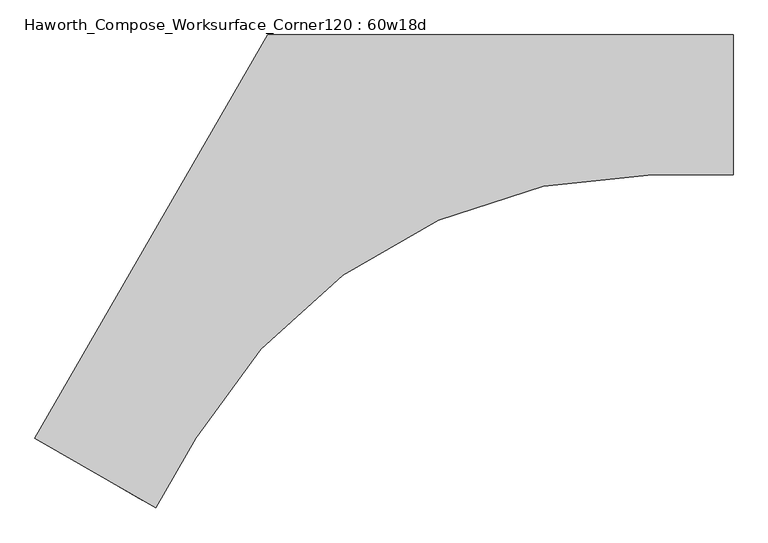
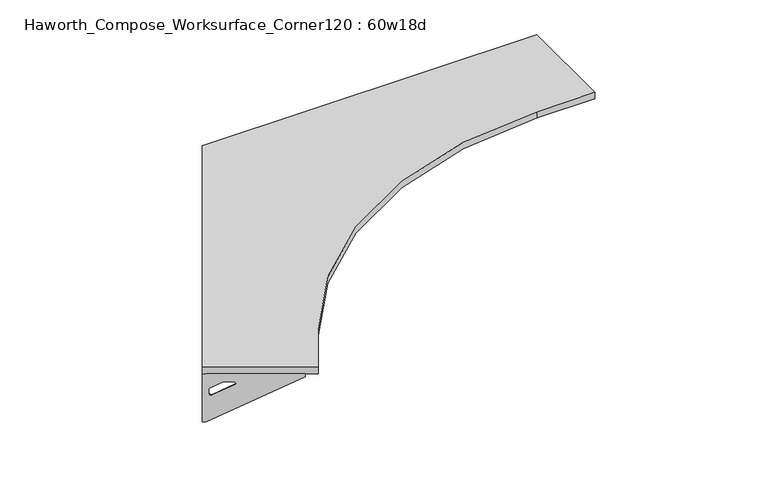
"""IFC4 building model written with IfcOpenShell, lengths in millimetres: furniture geometry, Haworth_Compose_Worksurface_Corner120 : 60w18d."""

from ifc_helpers import new_model, si_unit, point, frame, frame_2d, origin, place, context, project, spatial, polyline, circle_curve, trimmed, segment, composite_curve, outline, extrude, source, transform, mapped, element, save
from ifc_brep_helpers import plane_surface, revolved_surface, advanced_brep


def haworth_compose_worksurface_corner120_60w18d_83732284(model_context):
    return source(origin(), model_context, "Body", "SolidModel", [
        advanced_brep(
        [(759.61875, 304.8, 473.86875), (759.61875, 288.925, 473.86875), (759.61875, -101.6, 690.1317568), (759.61875, -101.6, 702.46875), (759.61875, 288.925, 702.46875), (759.61875, 304.8, 702.46875), (759.61875, 221.490072, 664.36875), (759.61875, 177.8355284, 664.36875), (759.61875, 175.1564235, 654.7830539), (759.61875, 266.8776173, 603.9901439), (759.61875, 276.225, 609.5881969), (759.61875, 276.225, 633.0985246), (759.61875, 274.4730055, 635.9367776), (759.61875, 224.5663437, 663.5738425), (762.0, 304.8, 473.86875), (762.0, 304.8, 702.46875), (762.0, 288.925, 702.46875), (762.0, 288.925, 704.85), (762.0, -101.6, 704.85), (762.0, -101.6, 690.1317568), (762.0, 288.925, 473.86875), (762.0, 221.490072, 664.36875), (762.0, 224.5663437, 663.5738425), (762.0, 274.4730055, 635.9367776), (762.0, 276.225, 633.0985246), (762.0, 276.225, 609.5881969), (762.0, 266.8776173, 603.9901439), (762.0, 175.1564235, 654.7830539), (762.0, 177.8355284, 664.36875), (720.725, -101.6, 704.85), (720.725, -101.6, 702.46875), (720.725, 288.925, 702.46875), (720.725, 288.925, 704.85)],
        [
            (0, 1),
            (1, 2),
            (2, 3),
            (3, 4),
            (4, 5),
            (5, 0),
            (6, 7),
            (7, 8, circle_curve(frame((759.61875, 177.8355284, 659.2015106), z_axis=(1.0, 0.0, 0.0), x_axis=(0.0, -1.0, 0.0)), 5.1672394)),
            (8, 9),
            (9, 10, circle_curve(frame((759.61875, 269.875, 609.5881969), z_axis=(1.0, 0.0, 0.0), x_axis=(0.0, -1.0, 0.0)), 6.35)),
            (10, 11),
            (11, 12, circle_curve(frame((759.61875, 273.05, 633.0985246), z_axis=(1.0, 0.0, 0.0), x_axis=(0.0, -1.0, 0.0)), 3.175)),
            (12, 13),
            (13, 6, circle_curve(frame((759.61875, 221.490072, 658.01875), z_axis=(1.0, 0.0, 0.0), x_axis=(0.0, -1.0, 0.0)), 6.35)),
            (14, 15),
            (15, 16),
            (16, 17),
            (17, 18),
            (18, 19),
            (19, 20),
            (20, 14),
            (21, 22, circle_curve(frame((762.0, 221.490072, 658.01875), z_axis=(-1.0, 0.0, 0.0), x_axis=(0.0, -1.0, 0.0)), 6.35)),
            (22, 23),
            (23, 24, circle_curve(frame((762.0, 273.05, 633.0985246), z_axis=(-1.0, 0.0, 0.0), x_axis=(0.0, -1.0, 0.0)), 3.175)),
            (24, 25),
            (25, 26, circle_curve(frame((762.0, 269.875, 609.5881969), z_axis=(-1.0, 0.0, 0.0), x_axis=(0.0, -1.0, 0.0)), 6.35)),
            (26, 27),
            (27, 28, circle_curve(frame((762.0, 177.8355284, 659.2015106), z_axis=(-1.0, 0.0, 0.0), x_axis=(0.0, -1.0, 0.0)), 5.1672394)),
            (28, 21),
            (4, 16),
            (15, 5),
            (14, 0),
            (20, 1),
            (19, 2),
            (18, 29),
            (29, 30),
            (30, 3),
            (6, 21),
            (28, 7),
            (9, 26),
            (25, 10),
            (24, 11),
            (23, 12),
            (27, 8),
            (31, 4),
            (30, 31),
            (32, 29),
            (17, 32),
            (31, 32),
            (22, 13),
        ],
        [
            plane_surface(frame((759.61875, 304.8, 473.86875), z_axis=(-1.0, 0.0, 0.0), x_axis=(0.0, 1.0, 0.0))),
            plane_surface(frame((762.0, 304.8, 473.86875), z_axis=(1.0, 0.0, 0.0), x_axis=(0.0, -1.0, 0.0))),
            plane_surface(frame((762.0, -101.6, 702.46875), z_axis=(0.0, 0.0, 1.0), x_axis=(-1.0, 0.0, 0.0))),
            plane_surface(frame((762.0, 304.8, 702.46875), z_axis=(0.0, 1.0, 0.0), x_axis=(-1.0, 0.0, 0.0))),
            plane_surface(frame((762.0, 304.8, 473.86875), z_axis=(0.0, 0.0, -1.0), x_axis=(-1.0, 0.0, 0.0))),
            plane_surface(frame((762.0, 288.925, 473.86875), z_axis=(0.0, -0.4844522351345575, -0.8748177135112957), x_axis=(-1.0, 0.0, 0.0))),
            plane_surface(frame((762.0, -101.6, 690.1317568), z_axis=(0.0, -1.0, 0.0), x_axis=(-1.0, 0.0, 0.0))),
            plane_surface(frame((762.0, 221.490072, 664.36875), z_axis=(0.0, 0.0, -1.0), x_axis=(-1.0, 0.0, 0.0))),
            revolved_surface(polyline([(759.61875, 263.525, 609.5881969), (762.0, 263.525, 609.5881969)]), (762.0, 269.875, 609.5881969), (-1.0, 0.0, 0.0)),
            plane_surface(frame((762.0, 276.225, 609.5881969), z_axis=(0.0, -1.0, 0.0), x_axis=(-1.0, 0.0, 0.0))),
            revolved_surface(polyline([(759.61875, 269.875, 633.0985246), (762.0, 269.875, 633.0985246)]), (762.0, 273.05, 633.0985246), (-1.0, 0.0, 0.0)),
            revolved_surface(polyline([(759.61875, 172.668289, 659.2015106), (762.0, 172.668289, 659.2015106)]), (762.0, 177.8355284, 659.2015106), (-1.0, 0.0, 0.0)),
            plane_surface(frame((762.0, 288.925, 702.46875), z_axis=(0.0, 0.0, -1.0), x_axis=(-1.0, 0.0, 0.0))),
            plane_surface(frame((762.0, 288.925, 704.85), z_axis=(0.0, 0.0, 1.0), x_axis=(1.0, 0.0, 0.0))),
            plane_surface(frame((720.725, 288.925, 704.85), z_axis=(0.0, 1.0, 0.0), x_axis=(0.0, 0.0, -1.0))),
            plane_surface(frame((720.725, -101.6, 704.85), z_axis=(-1.0, 0.0, 0.0), x_axis=(0.0, 0.0, -1.0))),
            plane_surface(frame((762.0, 175.1564235, 654.7830539), z_axis=(0.0, 0.4844522351341526, 0.8748177135115199), x_axis=(-1.0, 0.0, 0.0))),
            plane_surface(frame((762.0, 274.4730055, 635.9367776), z_axis=(0.0, -0.48445223513456226, -0.874817713511293), x_axis=(-1.0, 0.0, 0.0))),
            revolved_surface(polyline([(759.61875, 215.140072, 658.01875), (762.0, 215.140072, 658.01875)]), (762.0, 221.490072, 658.01875), (-1.0, 0.0, 0.0)),
        ],
        [
            (0, [[1, 2, 3, 4, 5, 6], [7, 8, 9, 10, 11, 12, 13, 14]]),
            (1, [[15, 16, 17, 18, 19, 20, 21], [22, 23, 24, 25, 26, 27, 28, 29]]),
            (2, [[-5, 30, -16, 31]]),
            (3, [[-31, -15, 32, -6]]),
            (4, [[-32, -21, 33, -1]]),
            (5, [[-33, -20, 34, -2]]),
            (6, [[-34, -19, 35, 36, 37, -3]]),
            (7, [[38, -29, 39, -7]]),
            (8, [[40, -26, 41, -10]]),
            (9, [[-41, -25, 42, -11]]),
            (10, [[-42, -24, 43, -12]]),
            (11, [[-39, -28, 44, -8]]),
            (12, [[45, -4, -37, 46]]),
            (13, [[47, -35, -18, 48]]),
            (14, [[-17, -30, -45, 49, -48]]),
            (15, [[-36, -47, -49, -46]]),
            (16, [[-44, -27, -40, -9]]),
            (17, [[-43, -23, 50, -13]]),
            (18, [[-50, -22, -38, -14]]),
        ],
    ),
        advanced_brep(
        [(-1522.809375, -1012.9604924, 473.86875), (-1522.809375, -1012.9604924, 702.46875), (-1509.0612217, -1020.8979924, 702.46875), (-1170.8566509, -1216.1604924, 702.46875), (-1170.8566509, -1216.1604924, 690.1317568), (-1509.0612217, -1020.8979924, 473.86875), (-1450.660861, -1054.6154564, 664.36875), (-1453.3249904, -1053.0773205, 663.5738425), (-1496.5454274, -1028.1239896, 635.9367776), (-1498.0626991, -1027.2479924, 633.0985246), (-1498.0626991, -1027.2479924, 609.5881969), (-1489.9676282, -1031.9216837, 603.9901439), (-1410.5347443, -1077.7822806, 654.7830539), (-1412.8549172, -1076.4427282, 664.36875), (-1524.0, -1015.0227154, 473.86875), (-1510.2518467, -1022.9602154, 473.86875), (-1172.0472759, -1218.2227154, 690.1317568), (-1172.0472759, -1218.2227154, 704.85), (-1510.2518467, -1022.9602154, 704.85), (-1510.2518467, -1022.9602154, 702.46875), (-1524.0, -1015.0227154, 702.46875), (-1451.851486, -1056.6776794, 664.36875), (-1414.0455422, -1078.5049512, 664.36875), (-1411.7253693, -1079.8445036, 654.7830539), (-1491.1582532, -1033.9839067, 603.9901439), (-1499.2533241, -1029.3102154, 609.5881969), (-1499.2533241, -1029.3102154, 633.0985246), (-1497.7360524, -1030.1862126, 635.9367776), (-1454.5156154, -1055.1395435, 663.5738425), (-1151.4097759, -1182.4775168, 702.46875), (-1151.4097759, -1182.4775168, 704.85), (-1489.6143467, -987.2150168, 702.46875), (-1489.6143467, -987.2150168, 704.85)],
        [
            (0, 1),
            (1, 2),
            (2, 3),
            (3, 4),
            (4, 5),
            (5, 0),
            (6, 7, circle_curve(frame((-1450.660861, -1054.6154564, 658.01875), z_axis=(-0.5000000000000026, -0.8660254037844374, 0.0), x_axis=(0.8660254037844372, -0.5000000000000024, 0.0)), 6.35)),
            (7, 8),
            (8, 9, circle_curve(frame((-1495.3130684, -1028.8354924, 633.0985246), z_axis=(-0.5000000000000026, -0.8660254037844374, 0.0), x_axis=(0.8660254037844372, -0.5000000000000024, 0.0)), 3.175)),
            (9, 10),
            (10, 11, circle_curve(frame((-1492.5634378, -1030.4229924, 609.5881969), z_axis=(-0.5000000000000026, -0.8660254037844374, 0.0), x_axis=(0.8660254037844372, -0.5000000000000024, 0.0)), 6.35)),
            (11, 12),
            (12, 13, circle_curve(frame((-1412.8549172, -1076.4427282, 659.2015106), z_axis=(-0.5000000000000026, -0.8660254037844374, 0.0), x_axis=(0.8660254037844372, -0.5000000000000024, 0.0)), 5.1672394)),
            (13, 6),
            (14, 15),
            (15, 16),
            (16, 17),
            (17, 18),
            (18, 19),
            (19, 20),
            (20, 14),
            (21, 22),
            (22, 23, circle_curve(frame((-1414.0455422, -1078.5049512, 659.2015106), z_axis=(0.5000000000000026, 0.8660254037844374, 0.0), x_axis=(0.8660254037844372, -0.5000000000000024, 0.0)), 5.1672394)),
            (23, 24),
            (24, 25, circle_curve(frame((-1493.7540628, -1032.4852154, 609.5881969), z_axis=(0.5000000000000026, 0.8660254037844374, 0.0), x_axis=(0.8660254037844372, -0.5000000000000024, 0.0)), 6.35)),
            (25, 26),
            (26, 27, circle_curve(frame((-1496.5036934, -1030.8977154, 633.0985246), z_axis=(0.5000000000000026, 0.8660254037844374, 0.0), x_axis=(0.8660254037844372, -0.5000000000000024, 0.0)), 3.175)),
            (27, 28),
            (28, 21, circle_curve(frame((-1451.851486, -1056.6776794, 658.01875), z_axis=(0.5000000000000026, 0.8660254037844374, 0.0), x_axis=(0.8660254037844372, -0.5000000000000024, 0.0)), 6.35)),
            (1, 20),
            (19, 2),
            (0, 14),
            (5, 15),
            (4, 16),
            (3, 29),
            (29, 30),
            (30, 17),
            (13, 22),
            (21, 6),
            (10, 25),
            (24, 11),
            (9, 26),
            (8, 27),
            (12, 23),
            (31, 29),
            (2, 31),
            (32, 18),
            (30, 32),
            (32, 31),
            (7, 28),
        ],
        [
            plane_surface(frame((-1522.809375, -1012.9604924, 473.86875), z_axis=(0.5000000000000026, 0.8660254037844373, 0.0), x_axis=(-0.8660254037844373, 0.5000000000000026, 0.0))),
            plane_surface(frame((-1524.0, -1015.0227154, 473.86875), z_axis=(-0.5000000000000026, -0.8660254037844373, 0.0), x_axis=(0.8660254037844373, -0.5000000000000026, 0.0))),
            plane_surface(frame((-1172.0472759, -1218.2227154, 702.46875), z_axis=(0.0, 0.0, 1.0), x_axis=(0.5000000000000011, 0.866025403784438, 0.0))),
            plane_surface(frame((-1524.0, -1015.0227154, 702.46875), z_axis=(-0.866025403784438, 0.5000000000000011, 0.0), x_axis=(0.5000000000000011, 0.866025403784438, 0.0))),
            plane_surface(frame((-1524.0, -1015.0227154, 473.86875), z_axis=(0.0, 0.0, -1.0), x_axis=(0.5000000000000011, 0.866025403784438, 0.0))),
            plane_surface(frame((-1510.2518467, -1022.9602154, 473.86875), z_axis=(0.41954794254667943, -0.24222611756727808, -0.8748177135112957), x_axis=(0.5000000000000011, 0.866025403784438, 0.0))),
            plane_surface(frame((-1172.0472759, -1218.2227154, 690.1317568), z_axis=(0.866025403784438, -0.5000000000000011, 0.0), x_axis=(0.5000000000000011, 0.866025403784438, 0.0))),
            plane_surface(frame((-1451.851486, -1056.6776794, 664.36875), z_axis=(0.0, 0.0, -1.0), x_axis=(0.5000000000000011, 0.866025403784438, 0.0))),
            revolved_surface(polyline([(-1487.0641764519498, -1033.5979923483158, 609.5881969), (-1488.2548014859688, -1035.6602154, 609.5881969)]), (-1493.7540628, -1032.4852154, 609.5881969), (0.5000000000000024, 0.8660254037844372, 0.0)),
            plane_surface(frame((-1499.2533241, -1029.3102154, 609.5881969), z_axis=(0.866025403784438, -0.5000000000000011, 0.0), x_axis=(0.5000000000000011, 0.866025403784438, 0.0))),
            revolved_surface(polyline([(-1492.56343773985, -1030.4229924018098, 633.0985246), (-1493.7540627537305, -1032.485215418613, 633.0985246)]), (-1496.5036934, -1030.8977154, 633.0985246), (0.5000000000000024, 0.8660254037844372, 0.0)),
            revolved_surface(polyline([(-1408.3799565880802, -1079.0263478655236, 659.2015106), (-1409.5705816121642, -1081.0885709000001, 659.2015106)]), (-1414.0455422, -1078.5049512, 659.2015106), (0.5000000000000024, 0.8660254037844372, 0.0)),
            plane_surface(frame((-1510.2518467, -1022.9602154, 702.46875), z_axis=(0.0, 0.0, -1.0), x_axis=(0.5000000000000011, 0.866025403784438, 0.0))),
            plane_surface(frame((-1510.2518467, -1022.9602154, 704.85), z_axis=(0.0, 0.0, 1.0), x_axis=(-0.5000000000000011, -0.866025403784438, 0.0))),
            plane_surface(frame((-1489.6143467, -987.2150168, 704.85), z_axis=(-0.866025403784438, 0.5000000000000011, 0.0), x_axis=(0.0, 0.0, -1.0))),
            plane_surface(frame((-1151.4097759, -1182.4775168, 704.85), z_axis=(0.5000000000000011, 0.866025403784438, 0.0), x_axis=(0.0, 0.0, -1.0))),
            plane_surface(frame((-1411.7253693, -1079.8445036, 654.7830539), z_axis=(-0.41954794254632877, 0.24222611756707563, 0.87481771351152), x_axis=(0.5000000000000011, 0.866025403784438, 0.0))),
            plane_surface(frame((-1497.7360524, -1030.1862126, 635.9367776), z_axis=(0.4195479425466836, -0.24222611756728046, -0.874817713511293), x_axis=(0.5000000000000011, 0.866025403784438, 0.0))),
            revolved_surface(polyline([(-1445.161599650898, -1057.790456346494, 658.01875), (-1446.3522246859688, -1059.8526794, 658.01875)]), (-1451.851486, -1056.6776794, 658.01875), (0.5000000000000024, 0.8660254037844372, 0.0)),
        ],
        [
            (0, [[1, 2, 3, 4, 5, 6], [7, 8, 9, 10, 11, 12, 13, 14]]),
            (1, [[15, 16, 17, 18, 19, 20, 21], [22, 23, 24, 25, 26, 27, 28, 29]]),
            (2, [[30, -20, 31, -2]]),
            (3, [[-1, 32, -21, -30]]),
            (4, [[-6, 33, -15, -32]]),
            (5, [[-5, 34, -16, -33]]),
            (6, [[-4, 35, 36, 37, -17, -34]]),
            (7, [[-14, 38, -22, 39]]),
            (8, [[-11, 40, -25, 41]]),
            (9, [[-10, 42, -26, -40]]),
            (10, [[-9, 43, -27, -42]]),
            (11, [[-13, 44, -23, -38]]),
            (12, [[45, -35, -3, 46]]),
            (13, [[47, -18, -37, 48]]),
            (14, [[-47, 49, -46, -31, -19]]),
            (15, [[-45, -49, -48, -36]]),
            (16, [[-12, -41, -24, -44]]),
            (17, [[-8, 50, -28, -43]]),
            (18, [[-7, -39, -29, -50]]),
        ],
    ),
        extrude(outline(composite_curve([segment(polyline([(-1524.0, -1015.0227154), (-762.0, 304.8), (762.0, 304.8), (762.0, -152.4), (499.163928, -152.4)]), True, "CONTINUOUS"), segment(trimmed(circle_curve(frame_2d((499.163928, -1879.6)), 1727.2), [point((499.163928, -152.4))], [point((-996.6351494, -1016.0))], True, "CARTESIAN"), True, "CONTINUOUS"), segment(polyline([(-996.6351494, -1016.0), (-1128.0531854, -1243.6227154), (-1524.0, -1015.0227154)]), True, "CONTINUOUS")], self_intersect=False)), frame((0.0, 0.0, 706.4375), z_axis=(0.0, 0.0, 1.0), x_axis=(1.0, 0.0, 0.0)), (0.0, 0.0, 1.0), 30.1625),
    ])


if __name__ == "__main__":
    model = new_model("IFC4")
    model_context = context("Model", 3, world=origin())
    ifc_project = project(units=[si_unit("LENGTHUNIT", "METRE", prefix="MILLI")], contexts=[model_context])
    site = spatial("IfcSite", under=ifc_project)
    building = spatial("IfcBuilding", under=site)
    placement = place(None, origin())
    haworth_compose_worksurface_corner120_60w18d_shape = haworth_compose_worksurface_corner120_60w18d_83732284(model_context)
    element("IfcFurniture", 1, ObjectType="Haworth_Compose_Worksurface_Corner120 : 60w18d", at=placement, inside=building, context=model_context, shape_type="MappedRepresentation", body=[
        mapped(haworth_compose_worksurface_corner120_60w18d_shape, transform((0.0, 0.0, 0.0), x_axis=(1.0, 0.0, 0.0), y_axis=(0.0, 1.0, 0.0), z_axis=(0.0, 0.0, 1.0))),
    ])
    save(model, "model.ifc")
